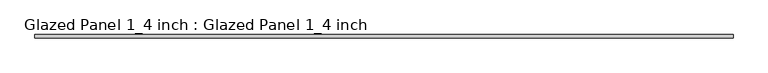
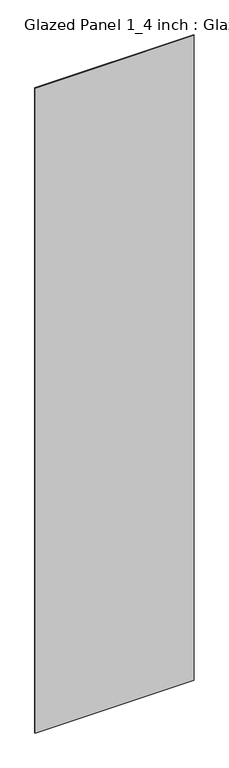
"""IFC4 building model written with IfcOpenShell, lengths in millimetres: plate geometry, Glazed Panel 1_4 inch : Glazed Panel 1_4 inch."""

from ifc_helpers import new_model, si_unit, origin, origin_with_axes, place, context, project, spatial, polyline, outline, extrude, source, transform, mapped, element, save


def glazed_panel_1_4_inch_glazed_panel_1_4_inch_fbd0ec08(model_context):
    return source(origin(), model_context, "Body", "SweptSolid", [
        extrude(outline(polyline([(711.2, -3.175), (-711.2, -3.175), (-711.2, 3.175), (711.2, 3.175), (711.2, -3.175)])), origin_with_axes(), (0.0, 0.0, 1.0), 6096.0),
    ])


if __name__ == "__main__":
    model = new_model("IFC4")
    model_context = context("Model", 3, world=origin())
    ifc_project = project(units=[si_unit("LENGTHUNIT", "METRE", prefix="MILLI")], contexts=[model_context])
    site = spatial("IfcSite", under=ifc_project)
    building = spatial("IfcBuilding", under=site)
    placement = place(None, origin())
    glazed_panel_1_4_inch_glazed_panel_1_4_inch_shape = glazed_panel_1_4_inch_glazed_panel_1_4_inch_fbd0ec08(model_context)
    element("IfcPlate", 1, ObjectType="Glazed Panel 1_4 inch : Glazed Panel 1_4 inch", at=placement, inside=building, context=model_context, shape_type="MappedRepresentation", body=[
        mapped(glazed_panel_1_4_inch_glazed_panel_1_4_inch_shape, transform((0.0, 0.0, 0.0), x_axis=(1.0, 0.0, 0.0), y_axis=(0.0, 1.0, 0.0), z_axis=(0.0, 0.0, 1.0))),
    ])
    save(model, "model.ifc")
